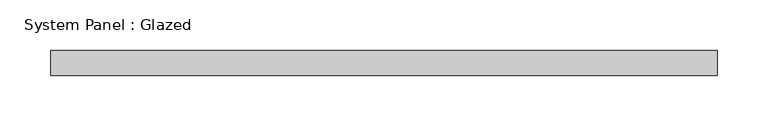
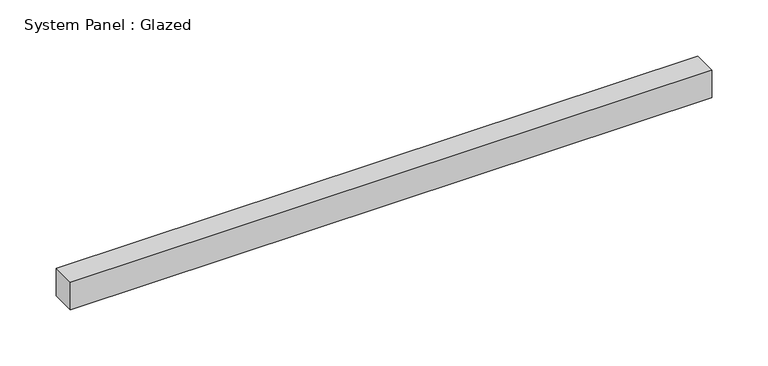
"""IFC4 building model written with IfcOpenShell, lengths in millimetres: plate geometry, System Panel : Glazed."""

from ifc_helpers import new_model, si_unit, origin, origin_with_axes, place, context, project, spatial, polyline, outline, extrude, source, transform, mapped, element, save


def system_panel_glazed_b754259a(model_context):
    return source(origin(), model_context, "Body", "SweptSolid", [
        extrude(outline(polyline([(329.5, -49.5), (-329.5, -49.5), (-329.5, -24.5), (329.5, -24.5), (329.5, -49.5)])), origin_with_axes(), (0.0, 0.0, 1.0), 30.0),
    ])


if __name__ == "__main__":
    model = new_model("IFC4")
    model_context = context("Model", 3, world=origin())
    ifc_project = project(units=[si_unit("LENGTHUNIT", "METRE", prefix="MILLI")], contexts=[model_context])
    site = spatial("IfcSite", under=ifc_project)
    building = spatial("IfcBuilding", under=site)
    placement = place(None, origin())
    system_panel_glazed_shape = system_panel_glazed_b754259a(model_context)
    element("IfcPlate", 1, ObjectType="System Panel : Glazed", at=placement, inside=building, context=model_context, shape_type="MappedRepresentation", body=[
        mapped(system_panel_glazed_shape, transform((0.0, 0.0, 0.0), x_axis=(1.0, 0.0, 0.0), y_axis=(0.0, 1.0, 0.0), z_axis=(0.0, 0.0, 1.0))),
    ])
    save(model, "model.ifc")
